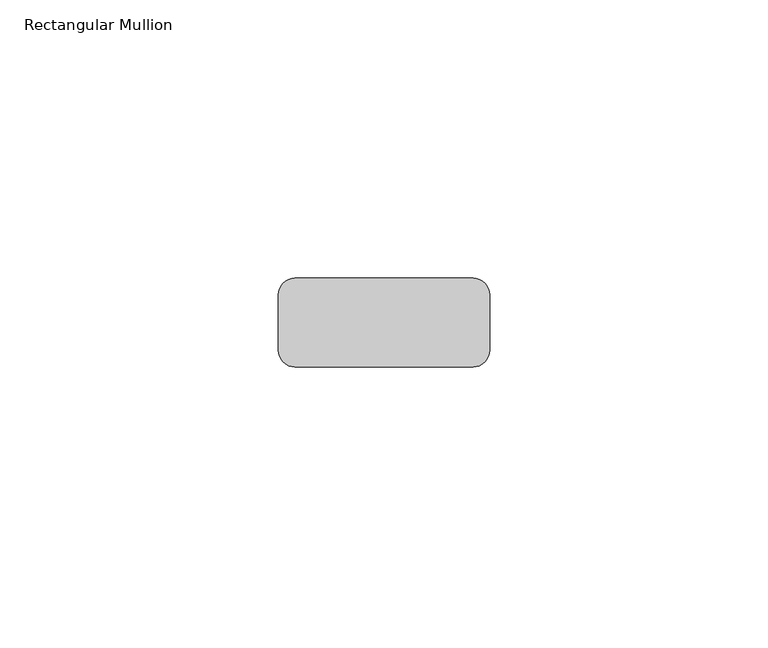
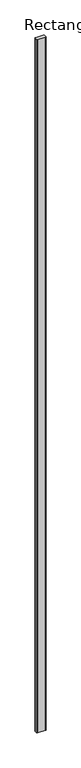
"""IFC4 building model written with IfcOpenShell, lengths in millimetres: member geometry, Rectangular Mullion."""

from ifc_helpers import new_model, si_unit, point, frame, frame_2d, origin, place, context, project, spatial, polyline, circle_curve, trimmed, segment, composite_curve, outline, extrude, source, transform, mapped, element, save


def rectangular_mullion_8c49e151(model_context):
    return source(origin(), model_context, "Body", "SweptSolid", [
        extrude(outline(composite_curve([segment(polyline([(16.0, -16.0), (-16.0, -16.0)]), True, "CONTINUOUS"), segment(trimmed(circle_curve(frame_2d((-16.0, -13.0)), 3.0), [point((-16.0, -16.0))], [point((-19.0, -13.0))], False, "CARTESIAN"), True, "CONTINUOUS"), segment(polyline([(-19.0, -13.0), (-19.0, -3.0)]), True, "CONTINUOUS"), segment(trimmed(circle_curve(frame_2d((-16.0, -3.0)), 3.0), [point((-19.0, -3.0))], [point((-16.0, 0.0))], False, "CARTESIAN"), True, "CONTINUOUS"), segment(polyline([(-16.0, 0.0), (16.0, 0.0)]), True, "CONTINUOUS"), segment(trimmed(circle_curve(frame_2d((16.0, -3.0)), 3.0), [point((16.0, 0.0))], [point((19.0, -3.0))], False, "CARTESIAN"), True, "CONTINUOUS"), segment(polyline([(19.0, -3.0), (19.0, -13.0)]), True, "CONTINUOUS"), segment(trimmed(circle_curve(frame_2d((16.0, -13.0)), 3.0), [point((19.0, -13.0))], [point((16.0, -16.0))], False, "CARTESIAN"), True, "CONTINUOUS")], self_intersect=False)), frame((0.0, 0.0, -3000.0), z_axis=(0.0, 0.0, 1.0), x_axis=(1.0, 0.0, 0.0)), (0.0, 0.0, 1.0), 3000.0),
    ])


if __name__ == "__main__":
    model = new_model("IFC4")
    model_context = context("Model", 3, world=origin())
    ifc_project = project(units=[si_unit("LENGTHUNIT", "METRE", prefix="MILLI")], contexts=[model_context])
    site = spatial("IfcSite", under=ifc_project)
    building = spatial("IfcBuilding", under=site)
    placement = place(None, origin())
    rectangular_mullion_shape = rectangular_mullion_8c49e151(model_context)
    element("IfcMember", 1, ObjectType="Rectangular Mullion", at=placement, inside=building, context=model_context, shape_type="MappedRepresentation", body=[
        mapped(rectangular_mullion_shape, transform((0.0, 0.0, 0.0), x_axis=(1.0, 0.0, 0.0), y_axis=(0.0, 1.0, 0.0), z_axis=(0.0, 0.0, 1.0))),
    ])
    save(model, "model.ifc")
